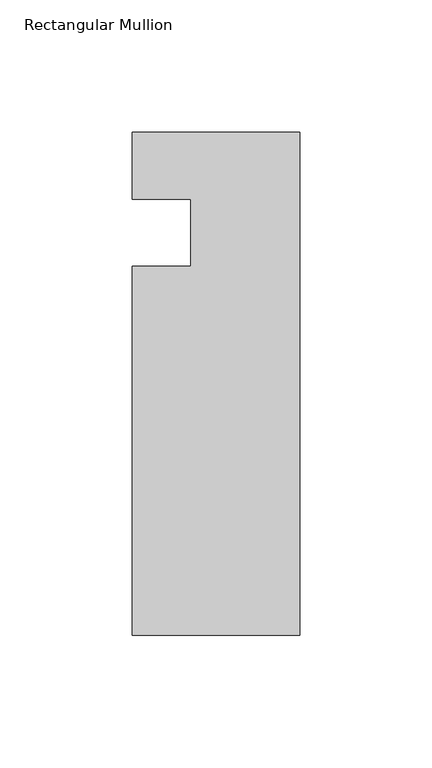
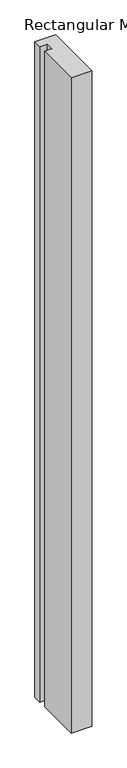
"""IFC4 building model written with IfcOpenShell, lengths in millimetres: member geometry, Rectangular Mullion."""

from ifc_helpers import new_model, si_unit, frame, origin, place, context, project, spatial, polyline, outline, extrude, source, transform, mapped, element, save


def rectangular_mullion_bd142d83(model_context):
    return source(origin(), model_context, "Body", "SweptSolid", [
        extrude(outline(polyline([(0.0, -152.399995), (-63.5, -152.399995), (-63.5, -12.7), (-41.2751132, -12.7), (-41.2751132, 12.7), (-63.5, 12.7), (-63.5, 38.1), (0.0, 38.1), (0.0, -152.399995)])), frame((0.0, 0.0, -2111.4763988), z_axis=(0.0, 0.0, 1.0), x_axis=(1.0, 0.0, 0.0)), (0.0, 0.0, 1.0), 2111.4763988),
    ])


if __name__ == "__main__":
    model = new_model("IFC4")
    model_context = context("Model", 3, world=origin())
    ifc_project = project(units=[si_unit("LENGTHUNIT", "METRE", prefix="MILLI")], contexts=[model_context])
    site = spatial("IfcSite", under=ifc_project)
    building = spatial("IfcBuilding", under=site)
    placement = place(None, origin())
    rectangular_mullion_shape = rectangular_mullion_bd142d83(model_context)
    element("IfcMember", 1, ObjectType="Rectangular Mullion", at=placement, inside=building, context=model_context, shape_type="MappedRepresentation", body=[
        mapped(rectangular_mullion_shape, transform((0.0, 0.0, 0.0), x_axis=(1.0, 0.0, 0.0), y_axis=(0.0, 1.0, 0.0), z_axis=(0.0, 0.0, 1.0))),
    ])
    save(model, "model.ifc")
